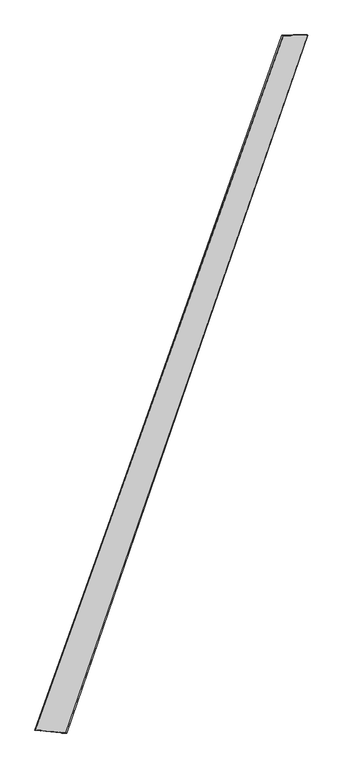
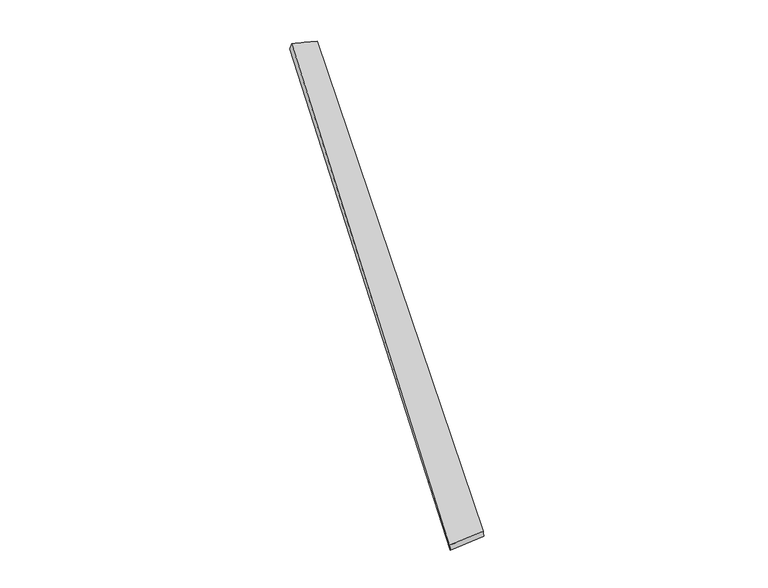
"""IFC4 building model written with IfcOpenShell, lengths in millimetres: proxy geometry."""

from ifc_helpers import new_model, si_unit, origin, place, context, project, spatial, source, transform, mapped, element, save
from ifc_brep_helpers import spline_surface, advanced_brep


def generic_models_645e8fcf(model_context):
    return source(origin(), model_context, "Body", "AdvancedBrep", [
        advanced_brep(
        [(-717.7942186, -1818.4120205, -14.6853676), (-723.1966021, -1816.7443401, 14.7770337), (714.8411094, 2202.5304293, 47.1043236), (706.0651495, 2205.8712609, 18.6118444), (-543.5970826, -1832.5685249, 44.3059488), (857.2296699, 2204.9387447, 10.7997652), (-539.5584032, -1834.2022671, 14.6239685), (851.2874723, 2206.7430267, -18.5504452)],
        [
            (0, 1),
            (1, 2),
            (2, 3),
            (3, 0),
            (1, 4),
            (4, 5),
            (5, 2),
            (4, 6),
            (6, 7),
            (7, 5),
            (6, 0),
            (3, 7),
        ],
        [
            spline_surface(1, 1, [[(-717.7942186, -1818.4120205, -14.6853676), (706.0651495, 2205.8712609, 18.6118444)], [(-723.1966021, -1816.7443401, 14.7770337), (714.8411094, 2202.5304293, 47.1043236)]], [2, 2], [2, 2], [0.0, 1.0], [0.0, 1.0]),
            spline_surface(1, 1, [[(-723.1966021, -1816.7443401, 14.7770337), (714.8411094, 2202.5304293, 47.1043236)], [(-543.5970826, -1832.5685249, 44.3059488), (857.2296699, 2204.9387447, 10.7997652)]], [2, 2], [2, 2], [0.0, 1.0], [0.0, 1.0]),
            spline_surface(1, 1, [[(-543.5970826, -1832.5685249, 44.3059488), (857.2296699, 2204.9387447, 10.7997652)], [(-539.5584032, -1834.2022671, 14.6239685), (851.2874723, 2206.7430267, -18.5504452)]], [2, 2], [2, 2], [0.0, 1.0], [0.0, 1.0]),
            spline_surface(1, 1, [[(-539.5584032, -1834.2022671, 14.6239685), (851.2874723, 2206.7430267, -18.5504452)], [(-717.7942186, -1818.4120205, -14.6853676), (706.0651495, 2205.8712609, 18.6118444)]], [2, 2], [2, 2], [0.0, 1.0], [0.0, 1.0]),
            spline_surface(1, 1, [[(714.8411094, 2202.5304293, 47.1043236), (706.0651495, 2205.8712609, 18.6118444)], [(857.2296699, 2204.9387447, 10.7997652), (851.2874723, 2206.7430267, -18.5504452)]], [2, 2], [2, 2], [0.0, 1.0], [0.0, 1.0]),
            spline_surface(1, 1, [[(-539.5584032, -1834.2022671, 14.6239685), (-717.7942186, -1818.4120205, -14.6853676)], [(-543.5970826, -1832.5685249, 44.3059488), (-723.1966021, -1816.7443401, 14.7770337)]], [2, 2], [2, 2], [0.0, 1.0], [0.0, 1.0]),
        ],
        [
            (0, [[1, 2, 3, 4]]),
            (1, [[5, 6, 7, -2]]),
            (2, [[8, 9, 10, -6]]),
            (3, [[11, -4, 12, -9]]),
            (4, [[-3, -7, -10, -12]]),
            (5, [[-11, -8, -5, -1]]),
        ],
    ),
    ])


if __name__ == "__main__":
    model = new_model("IFC4")
    model_context = context("Model", 3, world=origin())
    ifc_project = project(units=[si_unit("LENGTHUNIT", "METRE", prefix="MILLI")], contexts=[model_context])
    site = spatial("IfcSite", under=ifc_project)
    building = spatial("IfcBuilding", under=site)
    placement = place(None, origin())
    generic_models_shape = generic_models_645e8fcf(model_context)
    element("IfcBuildingElementProxy", 1, Name="Generic Models", at=placement, inside=building, context=model_context, shape_type="MappedRepresentation", body=[
        mapped(generic_models_shape, transform((0.0, 0.0, 0.0), x_axis=(1.0, 0.0, 0.0), y_axis=(0.0, 1.0, 0.0), z_axis=(0.0, 0.0, 1.0))),
    ])
    save(model, "model.ifc")
